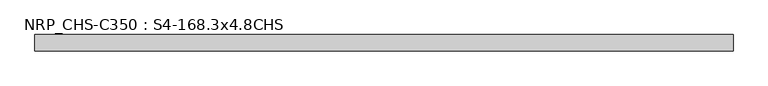
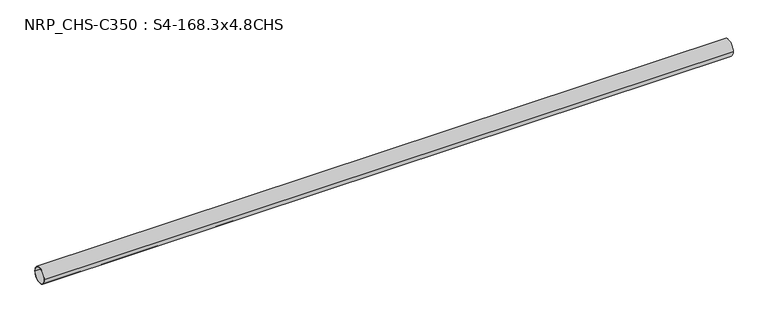
"""IFC4 building model written with IfcOpenShell, lengths in millimetres: beam geometry, NRP_CHS-C350 : S4-168.3x4.8CHS."""

from ifc_helpers import new_model, si_unit, point, frame, origin, origin_2d, place, context, project, spatial, circle_curve, trimmed, segment, composite_curve, outline, extrude, source, transform, mapped, element, save


def nrp_chs_c350_s4_168_3x4_8chs_7c5f8516(model_context):
    return source(origin(), model_context, "Body", "SweptSolid", [
        extrude(outline(composite_curve([segment(trimmed(circle_curve(origin_2d(), 84.15), [point((-84.15, 0.0))], [point((84.15, 0.0))], False, "CARTESIAN"), True, "CONTINUOUS"), segment(trimmed(circle_curve(origin_2d(), 84.15), [point((84.15, 0.0))], [point((-84.15, 0.0))], False, "CARTESIAN"), True, "CONTINUOUS")], self_intersect=False), holes=[composite_curve([segment(trimmed(circle_curve(origin_2d(), 79.35), [point((79.35, 0.0))], [point((-79.35, 0.0))], True, "CARTESIAN"), True, "CONTINUOUS"), segment(trimmed(circle_curve(origin_2d(), 79.35), [point((-79.35, 0.0))], [point((79.35, 0.0))], True, "CARTESIAN"), True, "CONTINUOUS")], self_intersect=False)]), frame((-3585.05, 0.0, 0.0), z_axis=(1.0, 0.0, 0.0), x_axis=(0.0, 1.0, 0.0)), (0.0, 0.0, 1.0), 7162.2),
    ])


if __name__ == "__main__":
    model = new_model("IFC4")
    model_context = context("Model", 3, world=origin())
    ifc_project = project(units=[si_unit("LENGTHUNIT", "METRE", prefix="MILLI")], contexts=[model_context])
    site = spatial("IfcSite", under=ifc_project)
    building = spatial("IfcBuilding", under=site)
    placement = place(None, origin())
    nrp_chs_c350_s4_168_3x4_8chs_shape = nrp_chs_c350_s4_168_3x4_8chs_7c5f8516(model_context)
    element("IfcBeam", 1, ObjectType="NRP_CHS-C350 : S4-168.3x4.8CHS", at=placement, inside=building, context=model_context, shape_type="MappedRepresentation", body=[
        mapped(nrp_chs_c350_s4_168_3x4_8chs_shape, transform((0.0, 0.0, 0.0), x_axis=(1.0, 0.0, 0.0), y_axis=(0.0, 1.0, 0.0), z_axis=(0.0, 0.0, 1.0))),
    ])
    save(model, "model.ifc")
